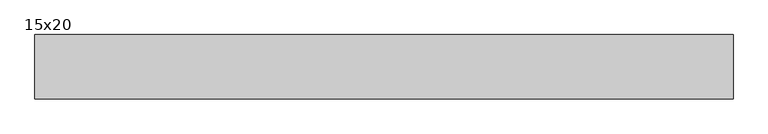
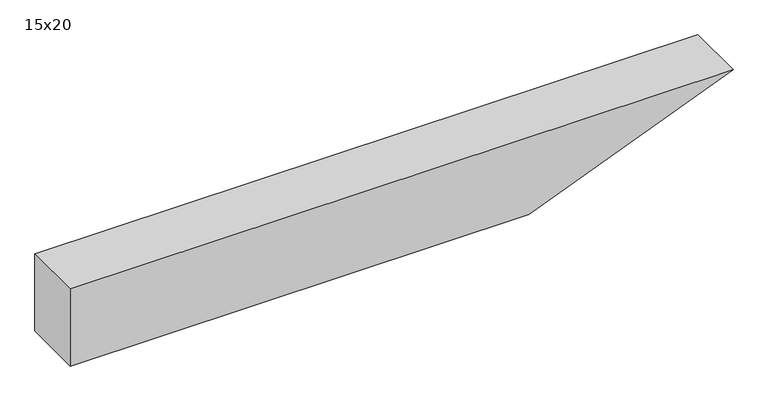
"""IFC4 building model written with IfcOpenShell, lengths in millimetres: beam geometry, 15x20."""

from ifc_helpers import new_model, si_unit, frame, origin, place, context, project, spatial, polyline, outline, extrude, source, transform, mapped, element, save


def beam_15x20_1ab2c997(model_context):
    return source(origin(), model_context, "Body", "SweptSolid", [
        extrude(outline(polyline([(100.0, -680.5), (-100.0, -680.5), (-100.0, 445.3), (100.0, 947.5), (100.0, -680.5)])), frame((0.0, -75.0, 0.0), z_axis=(0.0, 1.0, 0.0), x_axis=(0.0, 0.0, 1.0)), (0.0, 0.0, 1.0), 150.0),
    ])


if __name__ == "__main__":
    model = new_model("IFC4")
    model_context = context("Model", 3, world=origin())
    ifc_project = project(units=[si_unit("LENGTHUNIT", "METRE", prefix="MILLI")], contexts=[model_context])
    site = spatial("IfcSite", under=ifc_project)
    building = spatial("IfcBuilding", under=site)
    placement = place(None, origin())
    beam_15x20_shape = beam_15x20_1ab2c997(model_context)
    element("IfcBeam", 1, ObjectType="15x20", at=placement, inside=building, context=model_context, shape_type="MappedRepresentation", body=[
        mapped(beam_15x20_shape, transform((0.0, 0.0, 0.0), x_axis=(1.0, 0.0, 0.0), y_axis=(0.0, 1.0, 0.0), z_axis=(0.0, 0.0, 1.0))),
    ])
    save(model, "model.ifc")
